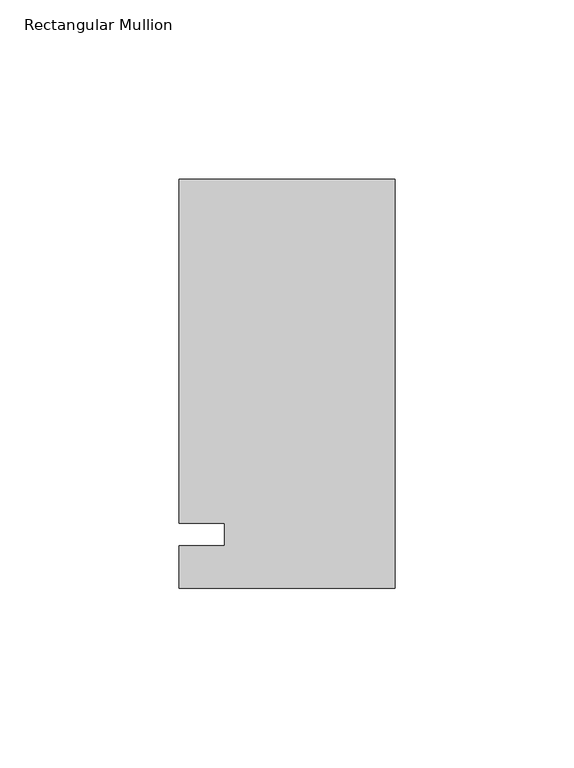
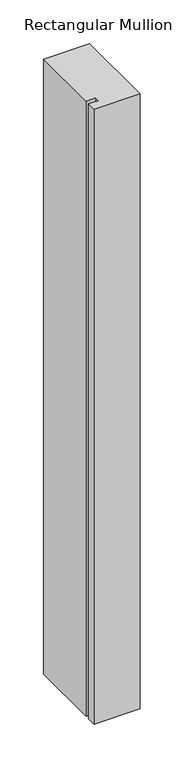
"""IFC4 building model written with IfcOpenShell, lengths in millimetres: member geometry, Rectangular Mullion."""

from ifc_helpers import new_model, si_unit, frame, origin, place, context, project, spatial, polyline, outline, extrude, source, transform, mapped, element, save


def rectangular_mullion_09732687(model_context):
    return source(origin(), model_context, "Body", "SweptSolid", [
        extrude(outline(polyline([(-60.325, 99.21875), (0.0, 99.21875), (0.0, -15.08125), (-60.325, -15.08125), (-60.325, -3.175), (-47.6232296, -3.175), (-47.6232296, 3.175), (-60.325, 3.175), (-60.325, 99.21875)])), frame((0.0, 0.0, -854.075), z_axis=(0.0, 0.0, 1.0), x_axis=(1.0, 0.0, 0.0)), (0.0, 0.0, 1.0), 854.075),
    ])


if __name__ == "__main__":
    model = new_model("IFC4")
    model_context = context("Model", 3, world=origin())
    ifc_project = project(units=[si_unit("LENGTHUNIT", "METRE", prefix="MILLI")], contexts=[model_context])
    site = spatial("IfcSite", under=ifc_project)
    building = spatial("IfcBuilding", under=site)
    placement = place(None, origin())
    rectangular_mullion_shape = rectangular_mullion_09732687(model_context)
    element("IfcMember", 1, ObjectType="Rectangular Mullion", at=placement, inside=building, context=model_context, shape_type="MappedRepresentation", body=[
        mapped(rectangular_mullion_shape, transform((0.0, 0.0, 0.0), x_axis=(1.0, 0.0, 0.0), y_axis=(0.0, 1.0, 0.0), z_axis=(0.0, 0.0, 1.0))),
    ])
    save(model, "model.ifc")
